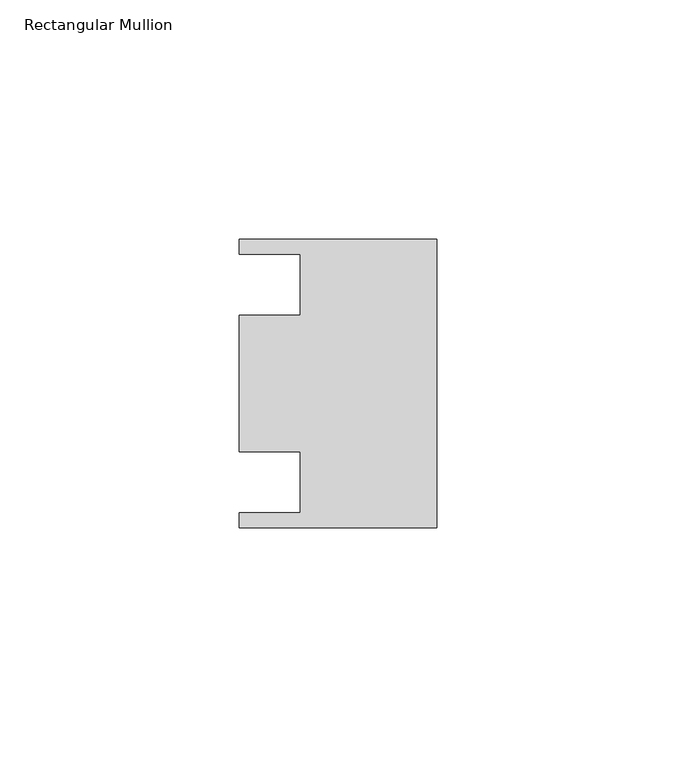
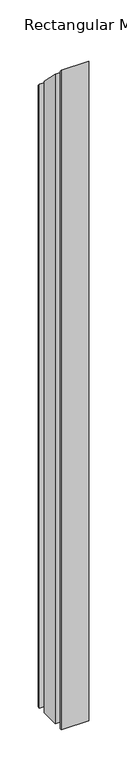
"""IFC4 building model written with IfcOpenShell, lengths in millimetres: member geometry, Rectangular Mullion."""

from ifc_helpers import new_model, si_unit, origin, place, context, project, spatial, faceted_brep, source, transform, mapped, element, save


def rectangular_mullion_3127db1d(model_context):
    return source(origin(), model_context, "Body", "Brep", [
        faceted_brep([(0.0, -30.1625, -1022.35), (-41.275, -30.1625, -1022.35), (-41.275, -26.9875, -1022.35), (-28.575, -26.9875, -1022.35), (-28.575, -14.2875, -1022.35), (-41.275, -14.2875, -1022.35), (-41.275, 14.2875, -1022.35), (-28.575, 14.2875, -1022.35), (-28.575, 26.9875, -1022.35), (-41.275, 26.9875, -1022.35), (-41.275, 30.1625, -1022.35), (0.0, 30.1625, -1022.35), (0.0, 30.1625, -30.1625), (0.0, -30.1625, 30.1625), (-41.275, 30.1625, -30.1625), (-41.275, 26.9875, -26.9875), (-28.575, 26.9875, -26.9875), (-28.575, 14.2875, -14.2875), (-41.275, 14.2875, -14.2875), (-41.275, -14.2875, 14.2875), (-28.575, -14.2875, 14.2875), (-28.575, -26.9875, 26.9875), (-41.275, -26.9875, 26.9875), (-41.275, -30.1625, 30.1625)], [[[0, 1, 2, 3, 4, 5, 6, 7, 8, 9, 10, 11]], [[12, 13, 0, 11]], [[14, 12, 11, 10]], [[15, 14, 10, 9]], [[16, 15, 9, 8]], [[17, 16, 8, 7]], [[18, 17, 7, 6]], [[19, 18, 6, 5]], [[20, 19, 5, 4]], [[21, 20, 4, 3]], [[22, 21, 3, 2]], [[23, 22, 2, 1]], [[13, 23, 1, 0]], [[13, 12, 14, 15, 16, 17, 18, 19, 20, 21, 22, 23]]]),
    ])


if __name__ == "__main__":
    model = new_model("IFC4")
    model_context = context("Model", 3, world=origin())
    ifc_project = project(units=[si_unit("LENGTHUNIT", "METRE", prefix="MILLI")], contexts=[model_context])
    site = spatial("IfcSite", under=ifc_project)
    building = spatial("IfcBuilding", under=site)
    placement = place(None, origin())
    rectangular_mullion_shape = rectangular_mullion_3127db1d(model_context)
    element("IfcMember", 1, ObjectType="Rectangular Mullion", at=placement, inside=building, context=model_context, shape_type="MappedRepresentation", body=[
        mapped(rectangular_mullion_shape, transform((0.0, 0.0, 0.0), x_axis=(1.0, 0.0, 0.0), y_axis=(0.0, 1.0, 0.0), z_axis=(0.0, 0.0, 1.0))),
    ])
    save(model, "model.ifc")
